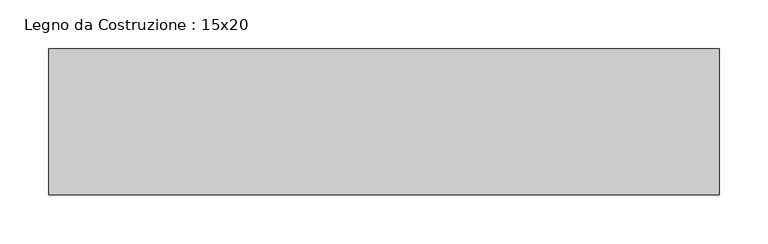
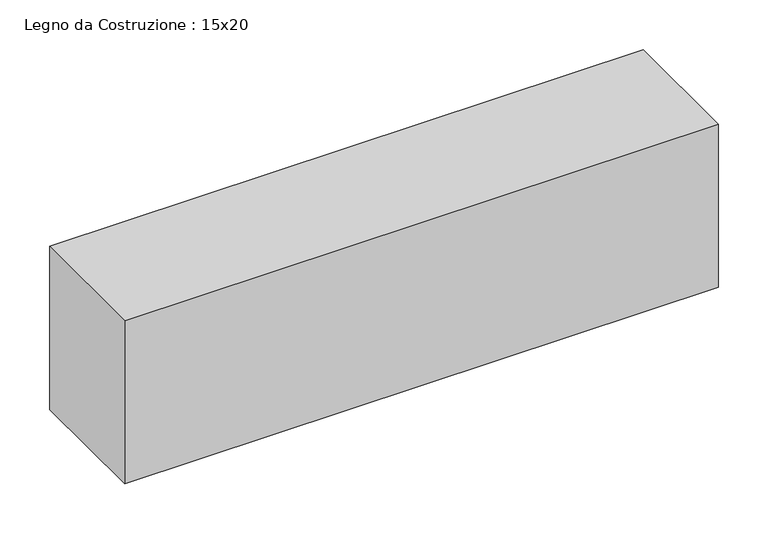
"""IFC4 building model written with IfcOpenShell, lengths in millimetres: beam geometry, Legno da Costruzione : 15x20."""

from ifc_helpers import new_model, si_unit, frame, origin, place, context, project, spatial, polyline, outline, extrude, source, transform, mapped, element, save


def legno_da_costruzione_15x20_a606f352(model_context):
    return source(origin(), model_context, "Body", "SweptSolid", [
        extrude(outline(polyline([(453.5, 75.0), (453.5, -75.0), (-234.5, -75.0), (-234.5, 75.0), (453.5, 75.0)])), frame((0.0, 0.0, -100.0), z_axis=(0.0, 0.0, 1.0), x_axis=(1.0, 0.0, 0.0)), (0.0, 0.0, 1.0), 200.0),
    ])


if __name__ == "__main__":
    model = new_model("IFC4")
    model_context = context("Model", 3, world=origin())
    ifc_project = project(units=[si_unit("LENGTHUNIT", "METRE", prefix="MILLI")], contexts=[model_context])
    site = spatial("IfcSite", under=ifc_project)
    building = spatial("IfcBuilding", under=site)
    placement = place(None, origin())
    legno_da_costruzione_15x20_shape = legno_da_costruzione_15x20_a606f352(model_context)
    element("IfcBeam", 1, ObjectType="Legno da Costruzione : 15x20", at=placement, inside=building, context=model_context, shape_type="MappedRepresentation", body=[
        mapped(legno_da_costruzione_15x20_shape, transform((0.0, 0.0, 0.0), x_axis=(1.0, 0.0, 0.0), y_axis=(0.0, 1.0, 0.0), z_axis=(0.0, 0.0, 1.0))),
    ])
    save(model, "model.ifc")
